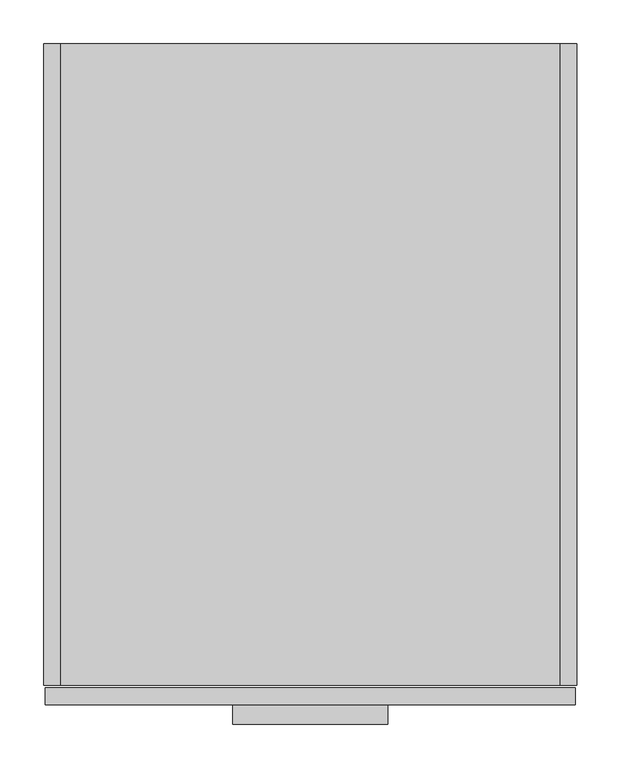
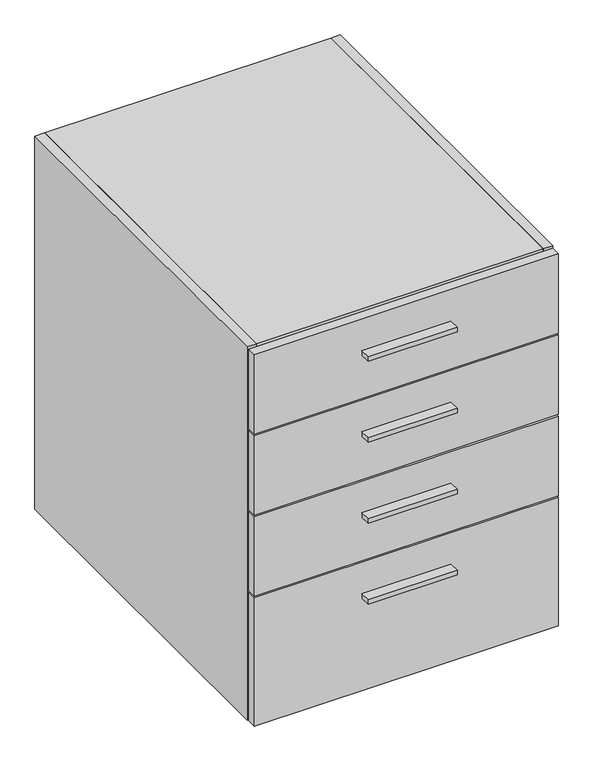
"""IFC4 building model written with IfcOpenShell, lengths in millimetres: furniture geometry."""

from ifc_helpers import new_model, si_unit, frame, origin, place, context, project, spatial, polyline, outline, extrude, source, transform, mapped, element, save


def furniture_cb79b630(model_context):
    return source(origin(), model_context, "Body", "SweptSolid", [
        extrude(outline(polyline([(393.7, -778.129), (215.9, -778.129), (215.9, -755.904), (393.7, -755.904), (393.7, -778.129)])), frame((0.0, 0.0, 297.3451), z_axis=(0.0, 0.0, 1.0), x_axis=(1.0, 0.0, 0.0)), (0.0, 0.0, 1.0), 9.525),
        extrude(outline(polyline([(393.7, -778.129), (215.9, -778.129), (215.9, -755.904), (393.7, -755.904), (393.7, -778.129)])), frame((0.0, 0.0, 809.9425), z_axis=(0.0, 0.0, 1.0), x_axis=(1.0, 0.0, 0.0)), (0.0, 0.0, 1.0), 9.525),
        extrude(outline(polyline([(393.7, -778.129), (215.9, -778.129), (215.9, -755.904), (393.7, -755.904), (393.7, -778.129)])), frame((0.0, 0.0, 639.0767), z_axis=(0.0, 0.0, 1.0), x_axis=(1.0, 0.0, 0.0)), (0.0, 0.0, 1.0), 9.525),
        extrude(outline(polyline([(393.7, -778.129), (215.9, -778.129), (215.9, -755.904), (393.7, -755.904), (393.7, -778.129)])), frame((0.0, 0.0, 468.2109), z_axis=(0.0, 0.0, 1.0), x_axis=(1.0, 0.0, 0.0)), (0.0, 0.0, 1.0), 9.525),
        extrude(outline(polyline([(590.296, 0.0), (590.296, -19.304), (19.304, -19.304), (19.304, 0.0), (590.296, 0.0)])), frame((0.0, 0.0, 101.6), z_axis=(0.0, 0.0, 1.0), x_axis=(1.0, 0.0, 0.0)), (0.0, 0.0, 1.0), 768.096),
        extrude(outline(polyline([(590.296, -733.425), (19.304, -733.425), (19.304, -19.304), (590.296, -19.304), (590.296, -733.425)])), frame((0.0, 0.0, 101.6), z_axis=(0.0, 0.0, 1.0), x_axis=(1.0, 0.0, 0.0)), (0.0, 0.0, 1.0), 19.304),
        extrude(outline(polyline([(590.296, -733.425), (19.304, -733.425), (19.304, 0.0), (590.296, 0.0), (590.296, -733.425)])), frame((0.0, 0.0, 869.696), z_axis=(0.0, 0.0, 1.0), x_axis=(1.0, 0.0, 0.0)), (0.0, 0.0, 1.0), 19.304),
        extrude(outline(polyline([(19.304, 0.0), (19.304, -733.425), (0.0, -733.425), (0.0, 0.0), (19.304, 0.0)])), frame((0.0, 0.0, 101.6), z_axis=(0.0, 0.0, 1.0), x_axis=(1.0, 0.0, 0.0)), (0.0, 0.0, 1.0), 787.4),
        extrude(outline(polyline([(590.296, 0.0), (609.6, 0.0), (609.6, -733.425), (590.296, -733.425), (590.296, 0.0)])), frame((0.0, 0.0, 101.6), z_axis=(0.0, 0.0, 1.0), x_axis=(1.0, 0.0, 0.0)), (0.0, 0.0, 1.0), 787.4),
        extrude(outline(polyline([(608.0125, -755.904), (1.5875, -755.904), (1.5875, -736.6), (608.0125, -736.6), (608.0125, -755.904)])), frame((0.0, 0.0, 718.1342), z_axis=(0.0, 0.0, 1.0), x_axis=(1.0, 0.0, 0.0)), (0.0, 0.0, 1.0), 167.6908),
        extrude(outline(polyline([(608.0125, -755.904), (1.5875, -755.904), (1.5875, -736.6), (608.0125, -736.6), (608.0125, -755.904)])), frame((0.0, 0.0, 547.2684), z_axis=(0.0, 0.0, 1.0), x_axis=(1.0, 0.0, 0.0)), (0.0, 0.0, 1.0), 167.6908),
        extrude(outline(polyline([(608.0125, -755.904), (1.5875, -755.904), (1.5875, -736.6), (608.0125, -736.6), (608.0125, -755.904)])), frame((0.0, 0.0, 376.4026), z_axis=(0.0, 0.0, 1.0), x_axis=(1.0, 0.0, 0.0)), (0.0, 0.0, 1.0), 167.6908),
        extrude(outline(polyline([(608.0125, -755.904), (1.5875, -755.904), (1.5875, -736.6), (608.0125, -736.6), (608.0125, -755.904)])), frame((0.0, 0.0, 101.6), z_axis=(0.0, 0.0, 1.0), x_axis=(1.0, 0.0, 0.0)), (0.0, 0.0, 1.0), 271.6276),
    ])


if __name__ == "__main__":
    model = new_model("IFC4")
    model_context = context("Model", 3, world=origin())
    ifc_project = project(units=[si_unit("LENGTHUNIT", "METRE", prefix="MILLI")], contexts=[model_context])
    site = spatial("IfcSite", under=ifc_project)
    building = spatial("IfcBuilding", under=site)
    placement = place(None, origin())
    furniture_shape = furniture_cb79b630(model_context)
    element("IfcFurniture", 1, at=placement, inside=building, context=model_context, shape_type="MappedRepresentation", body=[
        mapped(furniture_shape, transform((0.0, 0.0, 0.0), x_axis=(1.0, 0.0, 0.0), y_axis=(0.0, 1.0, 0.0), z_axis=(0.0, 0.0, 1.0))),
    ])
    save(model, "model.ifc")
